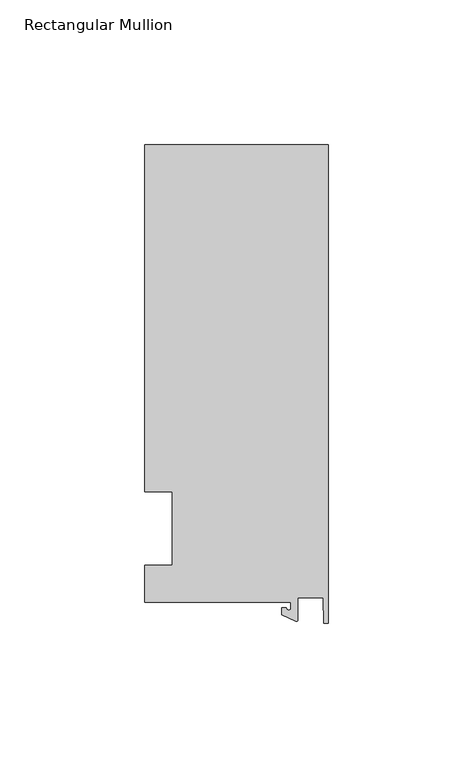
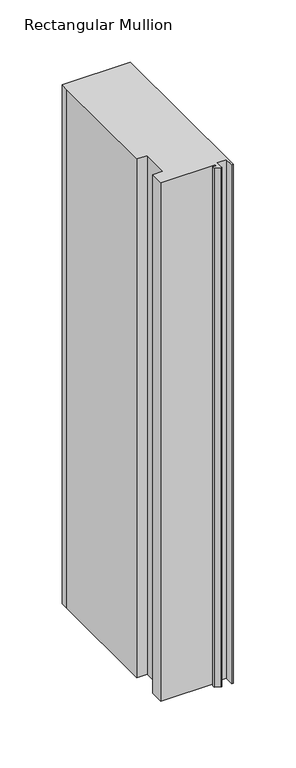
"""IFC4 building model written with IfcOpenShell, lengths in millimetres: member geometry, Rectangular Mullion."""

import ifcopenshell
import ifcopenshell.guid

model = None  # the IFC model being written
_history = None  # IfcOwnerHistory: only IFC2X3 demands one
_inside = {}  # id of a spatial element -> (the spatial element, [elements in it])
_under = {}  # id of a project, library or spatial element -> (it, [spatial elements below it])
_declared = {}  # id of a project -> (the project, [libraries it declares])
_typed = {}  # id of a type object -> (the type object, [elements of that type])
_made_of = {}  # id of a material, layer set ... -> (it, [elements and type objects made of it])


def new_model(schema):
    """Start an empty IFC model of exactly this schema.

    Asked for "IFC4X3", IfcOpenShell would pick the latest addendum, in which some entities
    have other attributes; the version numbers below select the first issue.
    IFC2X3 requires an IfcOwnerHistory on every rooted entity: one is made here for all.
    """
    global model, _history
    if schema == "IFC4X3":
        model = ifcopenshell.file(schema_version=(4, 3, 0, 0))
    else:
        model = ifcopenshell.file(schema=schema)
    _inside.clear()
    _under.clear()
    _declared.clear()
    _typed.clear()
    _made_of.clear()
    _history = None
    if model.schema == "IFC2X3":
        org = make("IfcOrganization", Name="unknown")
        user = make(
            "IfcPersonAndOrganization",
            ThePerson=make("IfcPerson", FamilyName="unknown"),
            TheOrganization=org,
        )
        app = make(
            "IfcApplication",
            ApplicationDeveloper=org,
            Version="unknown",
            ApplicationFullName="unknown",
            ApplicationIdentifier="unknown",
        )
        _history = make(
            "IfcOwnerHistory",
            OwningUser=user,
            OwningApplication=app,
            ChangeAction="ADDED",
            CreationDate=0,
        )
    return model


def make(cls, **values):
    """One entity of the class cls with the attributes given. An attribute that is None is left unset."""
    return model.create_entity(
        cls, **{name: value for name, value in values.items() if value is not None}
    )


def rooted(cls, **values):
    """An entity with a GlobalId (a new one), such as an element, a storey or a relation."""
    return make(cls, GlobalId=ifcopenshell.guid.new(), OwnerHistory=_history, **values)


def si_unit(unit_type, name, prefix=None):
    """IfcSIUnit, for example si_unit("LENGTHUNIT", "METRE", prefix="MILLI")."""
    return make("IfcSIUnit", UnitType=unit_type, Prefix=prefix, Name=name)


def assignment(units):
    """IfcUnitAssignment: the units of a project."""
    return None if units is None else make("IfcUnitAssignment", Units=units)


def point(xyz):
    """IfcCartesianPoint."""
    return None if xyz is None else make("IfcCartesianPoint", Coordinates=xyz)


def direction(xyz):
    """IfcDirection."""
    return None if xyz is None else make("IfcDirection", DirectionRatios=xyz)


def frame(location, z_axis=None, x_axis=None):
    """IfcAxis2Placement3D, a coordinate frame: its origin and axes. An axis left out is left unset."""
    return make(
        "IfcAxis2Placement3D",
        Location=point(location),
        Axis=direction(z_axis),
        RefDirection=direction(x_axis),
    )


def frame_2d(location, x_axis=None):
    """IfcAxis2Placement2D, a coordinate frame in the plane: its origin and x axis."""
    return make(
        "IfcAxis2Placement2D", Location=point(location), RefDirection=direction(x_axis)
    )


def origin():
    """The frame at (0, 0, 0) with its axes left unset."""
    return frame((0.0, 0.0, 0.0))


def place(relative_to, where):
    """IfcLocalPlacement: puts the frame where relative to a parent placement (None: the world)."""
    return make(
        "IfcLocalPlacement", PlacementRelTo=relative_to, RelativePlacement=where
    )


def context(
    kind, dimensions, precision=None, world=None, true_north=None, identifier=None
):
    """IfcGeometricRepresentationContext, for example the 3D "Model" context."""
    return make(
        "IfcGeometricRepresentationContext",
        ContextIdentifier=identifier,
        ContextType=kind,
        CoordinateSpaceDimension=dimensions,
        Precision=precision,
        WorldCoordinateSystem=world,
        TrueNorth=true_north,
    )


def project(units=None, contexts=None):
    """IfcProject with its units and contexts."""
    return rooted(
        "IfcProject",
        Name="project",
        RepresentationContexts=contexts,
        UnitsInContext=assignment(units),
    )


def spatial(cls, under=None, at=None, **own):
    """A site, building, storey or space (cls), placed at a placement, below another one or the project."""
    s = rooted(cls, ObjectPlacement=at, **own)
    if under is not None:
        _under.setdefault(under.id(), (under, []))[1].append(s)
    return s


def polyline(points):
    """IfcPolyline through the points."""
    return make("IfcPolyline", Points=[point(p) for p in points])


def circle_curve(where, radius):
    """IfcCircle in the frame where."""
    return make("IfcCircle", Position=where, Radius=radius)


def trimmed(basis, trim1, trim2, sense, master):
    """IfcTrimmedCurve: the piece of a basis curve between two trims."""
    return make(
        "IfcTrimmedCurve",
        BasisCurve=basis,
        Trim1=trim1,
        Trim2=trim2,
        SenseAgreement=sense,
        MasterRepresentation=master,
    )


def segment(curve, same_sense, transition):
    """IfcCompositeCurveSegment."""
    return make(
        "IfcCompositeCurveSegment",
        Transition=transition,
        SameSense=same_sense,
        ParentCurve=curve,
    )


def composite_curve(segments, self_intersect=None):
    """IfcCompositeCurve: segments joined end to end."""
    return make("IfcCompositeCurve", Segments=segments, SelfIntersect=self_intersect)


def outline(outer, holes=None, kind="AREA"):
    """IfcArbitraryClosedProfileDef: a profile drawn as a closed curve; with holes, ...WithVoids."""
    if holes is None:
        return make("IfcArbitraryClosedProfileDef", ProfileType=kind, OuterCurve=outer)
    return make(
        "IfcArbitraryProfileDefWithVoids",
        ProfileType=kind,
        OuterCurve=outer,
        InnerCurves=holes,
    )


def extrude(swept, where, along, depth):
    """IfcExtrudedAreaSolid: the profile swept, set in the frame where, extruded along a direction by depth."""
    return make(
        "IfcExtrudedAreaSolid",
        SweptArea=swept,
        Position=where,
        ExtrudedDirection=direction(along),
        Depth=depth,
    )


def shape(context_of_items, identifier, shape_type, items):
    """IfcShapeRepresentation: the items that make up one representation, for example the "Body"."""
    return make(
        "IfcShapeRepresentation",
        ContextOfItems=context_of_items,
        RepresentationIdentifier=identifier,
        RepresentationType=shape_type,
        Items=items,
    )


def source(mapping_origin, context_of_items, identifier, shape_type, items):
    """IfcRepresentationMap: a shape defined once, which mapped items show again and again."""
    return make(
        "IfcRepresentationMap",
        MappingOrigin=mapping_origin,
        MappedRepresentation=shape(context_of_items, identifier, shape_type, items),
    )


def transform(
    local_origin,
    x_axis=None,
    y_axis=None,
    z_axis=None,
    scale=None,
    scale2=None,
    scale3=None,
    uniform=True,
):
    """IfcCartesianTransformationOperator3D, or its non-uniform kind. x_axis, y_axis, z_axis: its Axis1, 2, 3."""
    if uniform:
        return make(
            "IfcCartesianTransformationOperator3D",
            Axis1=direction(x_axis),
            Axis2=direction(y_axis),
            LocalOrigin=point(local_origin),
            Scale=scale,
            Axis3=direction(z_axis),
        )
    return make(
        "IfcCartesianTransformationOperator3DnonUniform",
        Axis1=direction(x_axis),
        Axis2=direction(y_axis),
        LocalOrigin=point(local_origin),
        Scale=scale,
        Axis3=direction(z_axis),
        Scale2=scale2,
        Scale3=scale3,
    )


def mapped(mapping_source, mapping_target):
    """IfcMappedItem: shows the shape of a source again, moved by a transform."""
    return make(
        "IfcMappedItem", MappingSource=mapping_source, MappingTarget=mapping_target
    )


def made_of(thing, what):
    """Note that an element or type object is made of a material, layer set ...; save() writes the relation."""
    if what is not None:
        _made_of.setdefault(what.id(), (what, []))[1].append(thing)
    return thing


def element(
    cls,
    number,
    at=None,
    inside=None,
    cuts=None,
    type_object=None,
    material=None,
    context=None,
    identifier="Body",
    shape_type=None,
    held_by="IfcProductDefinitionShape",
    body=None,
    shapes=None,
    **own,
):
    """One element of the class cls, such as IfcWall. Its Tag is "e" and its number.

    at: its placement. inside: the storey or other place that contains it. cuts: it is an
    opening in that element (IfcRelVoidsElement). A single representation is given by context,
    identifier, shape_type and body (its items); several are given by shapes. held_by: the class
    of the entity that holds the representations. save() writes the other relations.
    """
    e = rooted(cls, Tag="e%d" % number, ObjectPlacement=at, **own)
    if body is not None:
        shapes = [shape(context, identifier, shape_type, body)]
    if shapes is not None:
        e.Representation = make(held_by, Representations=shapes)
    if inside is not None:
        _inside.setdefault(inside.id(), (inside, []))[1].append(e)
    if cuts is not None:
        rooted(
            "IfcRelVoidsElement", RelatingBuildingElement=cuts, RelatedOpeningElement=e
        )
    if type_object is not None:
        _typed.setdefault(type_object.id(), (type_object, []))[1].append(e)
    return made_of(e, material)


def aggregate(whole, parts):
    """IfcRelAggregates: a whole, such as a stair, and the parts it consists of."""
    return rooted("IfcRelAggregates", RelatingObject=whole, RelatedObjects=parts)


def save(model, path):
    """Write the relations noted so far, then the file.

    IfcRelAggregates (storeys below a building ...), IfcRelContainedInSpatialStructure (elements
    in a storey), IfcRelDefinesByType, IfcRelAssociatesMaterial and IfcRelDeclares: one each for
    every whole, place, type object, material and project.
    """
    for whole, parts in _under.values():
        aggregate(whole, parts)
    for where, things in _inside.values():
        rooted(
            "IfcRelContainedInSpatialStructure",
            RelatedElements=things,
            RelatingStructure=where,
        )
    for kind, things in _typed.values():
        rooted("IfcRelDefinesByType", RelatedObjects=things, RelatingType=kind)
    for what, things in _made_of.values():
        rooted("IfcRelAssociatesMaterial", RelatedObjects=things, RelatingMaterial=what)
    for by, libraries in _declared.values():
        rooted("IfcRelDeclares", RelatingContext=by, RelatedDefinitions=libraries)
    model.write(path)


def rectangular_mullion_983d7714(model_context):
    return source(origin(), model_context, "Body", "SweptSolid", [
        extrude(outline(composite_curve([segment(polyline([(-12.8216721, -25.5984375), (-63.5, -25.5984375), (-63.5, -12.7), (-53.975, -12.7), (-53.975, 12.7), (-63.5, 12.7), (-63.5, 125.075512), (-63.5, 132.822512), (0.0, 132.822512), (0.0, -32.810012), (-1.5566453, -32.810012), (-1.7144124, -23.9227662), (-10.4340721, -23.9227662), (-10.4340721, -31.6795354)]), True, "CONTINUOUS"), segment(trimmed(circle_curve(frame_2d((-10.9420721, -31.6795354)), 0.508), [point((-10.4340721, -31.6795354))], [point((-11.1567622, -32.1399398))], False, "CARTESIAN"), True, "CONTINUOUS"), segment(polyline([(-11.1567622, -32.1399398), (-15.9966721, -29.8830527), (-15.9966721, -27.5208534), (-14.4091721, -27.5208534)]), True, "CONTINUOUS"), segment(trimmed(circle_curve(frame_2d((-13.6154221, -27.5208534)), 0.79375), [point((-14.4091721, -27.5208534))], [point((-12.8216721, -27.5208534))], True, "CARTESIAN"), True, "CONTINUOUS"), segment(polyline([(-12.8216721, -27.5208534), (-12.8216721, -25.5984375)]), True, "CONTINUOUS")], self_intersect=False)), frame((0.0, 0.0, -509.6488917), z_axis=(0.0, 0.0, 1.0), x_axis=(1.0, 0.0, 0.0)), (0.0, 0.0, 1.0), 509.6488917),
    ])


if __name__ == "__main__":
    model = new_model("IFC4")
    model_context = context("Model", 3, world=origin())
    ifc_project = project(units=[si_unit("LENGTHUNIT", "METRE", prefix="MILLI")], contexts=[model_context])
    site = spatial("IfcSite", under=ifc_project)
    building = spatial("IfcBuilding", under=site)
    placement = place(None, origin())
    rectangular_mullion_shape = rectangular_mullion_983d7714(model_context)
    element("IfcMember", 1, ObjectType="Rectangular Mullion", at=placement, inside=building, context=model_context, shape_type="MappedRepresentation", body=[
        mapped(rectangular_mullion_shape, transform((0.0, 0.0, 0.0), x_axis=(1.0, 0.0, 0.0), y_axis=(0.0, 1.0, 0.0), z_axis=(0.0, 0.0, 1.0))),
    ])
    save(model, "model.ifc")
